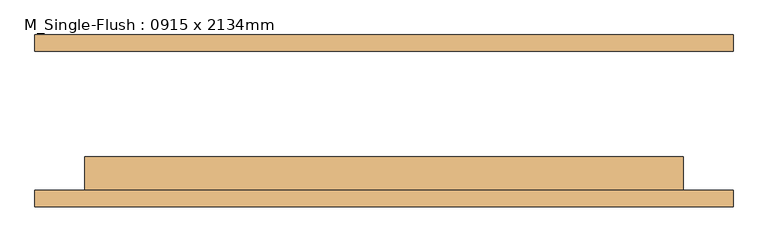
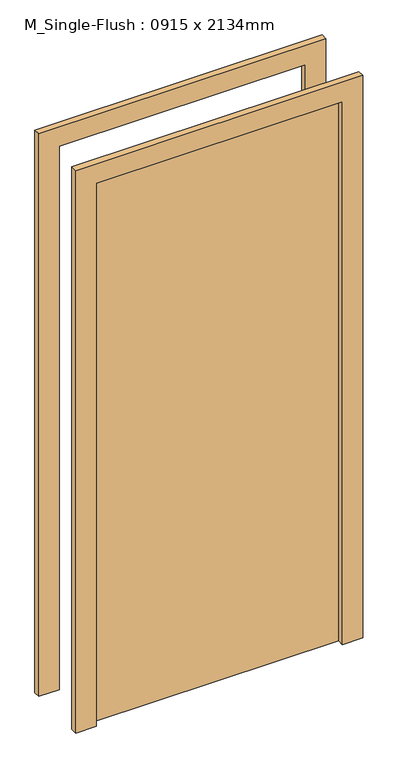
"""IFC4 building model written with IfcOpenShell, lengths in millimetres: door geometry, M_Single-Flush : 0915 x 2134mm."""

from ifc_helpers import new_model, si_unit, frame, origin, origin_with_axes, place, context, project, spatial, polyline, outline, extrude, source, transform, mapped, element, save


def m_single_flush_0915_x_2134mm_a7d1947b(model_context):
    return source(origin(), model_context, "Body", "SweptSolid", [
        extrude(outline(polyline([(2210.0, -533.5), (0.0, -533.5), (0.0, -457.5), (2134.0, -457.5), (2134.0, 457.5), (0.0, 457.5), (0.0, 533.5), (2210.0, 533.5), (2210.0, -533.5)])), frame((0.0, -131.25, 0.0), z_axis=(0.0, 1.0, 0.0), x_axis=(0.0, 0.0, 1.0)), (0.0, 0.0, 1.0), 25.0),
        extrude(outline(polyline([(2210.0, 533.5), (2210.0, -533.5), (0.0, -533.5), (0.0, -457.5), (2134.0, -457.5), (2134.0, 457.5), (0.0, 457.5), (0.0, 533.5), (2210.0, 533.5)])), frame((0.0, 106.25, 0.0), z_axis=(0.0, 1.0, 0.0), x_axis=(0.0, 0.0, 1.0)), (0.0, 0.0, 1.0), 25.0),
        extrude(outline(polyline([(457.5, -55.25), (457.5, -106.25), (-457.5, -106.25), (-457.5, -55.25), (457.5, -55.25)])), origin_with_axes(), (0.0, 0.0, 1.0), 2134.0),
    ])


if __name__ == "__main__":
    model = new_model("IFC4")
    model_context = context("Model", 3, world=origin())
    ifc_project = project(units=[si_unit("LENGTHUNIT", "METRE", prefix="MILLI")], contexts=[model_context])
    site = spatial("IfcSite", under=ifc_project)
    building = spatial("IfcBuilding", under=site)
    placement = place(None, origin())
    m_single_flush_0915_x_2134mm_shape = m_single_flush_0915_x_2134mm_a7d1947b(model_context)
    element("IfcDoor", 1, ObjectType="M_Single-Flush : 0915 x 2134mm", at=placement, inside=building, context=model_context, shape_type="MappedRepresentation", body=[
        mapped(m_single_flush_0915_x_2134mm_shape, transform((0.0, 0.0, 0.0), x_axis=(1.0, 0.0, 0.0), y_axis=(0.0, 1.0, 0.0), z_axis=(0.0, 0.0, 1.0))),
    ])
    save(model, "model.ifc")
